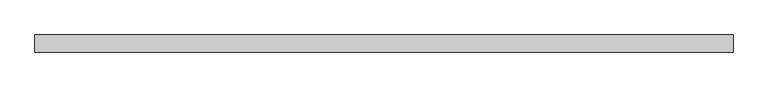
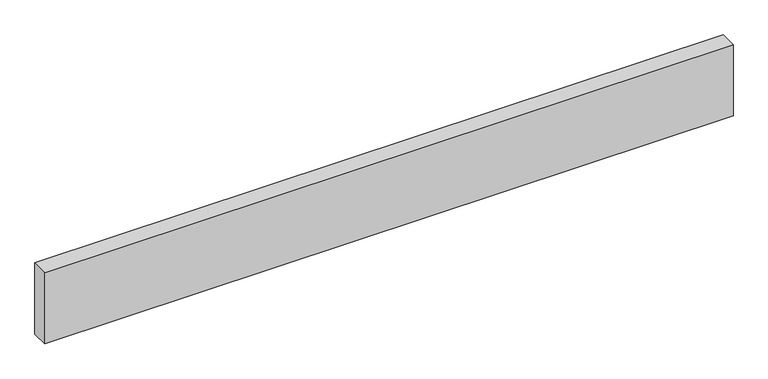
"""IFC4 building model written with IfcOpenShell, lengths in millimetres: beam geometry."""

from ifc_helpers import new_model, si_unit, frame, origin, place, context, project, spatial, polyline, outline, extrude, source, transform, mapped, element, save


def beam_83c6963f(model_context):
    return source(origin(), model_context, "Body", "SweptSolid", [
        extrude(outline(polyline([(-915.172696, 22.5), (915.172696, 22.5), (915.172696, -22.5), (-915.172696, -22.5), (-915.172696, 22.5)])), frame((0.0, 0.0, -100.0), z_axis=(0.0, 0.0, 1.0), x_axis=(1.0, 0.0, 0.0)), (0.0, 0.0, 1.0), 200.0),
    ])


if __name__ == "__main__":
    model = new_model("IFC4")
    model_context = context("Model", 3, world=origin())
    ifc_project = project(units=[si_unit("LENGTHUNIT", "METRE", prefix="MILLI")], contexts=[model_context])
    site = spatial("IfcSite", under=ifc_project)
    building = spatial("IfcBuilding", under=site)
    placement = place(None, origin())
    beam_shape = beam_83c6963f(model_context)
    element("IfcBeam", 1, at=placement, inside=building, context=model_context, shape_type="MappedRepresentation", body=[
        mapped(beam_shape, transform((0.0, 0.0, 0.0), x_axis=(1.0, 0.0, 0.0), y_axis=(0.0, 1.0, 0.0), z_axis=(0.0, 0.0, 1.0))),
    ])
    save(model, "model.ifc")
